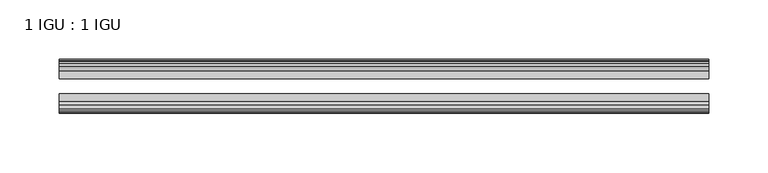
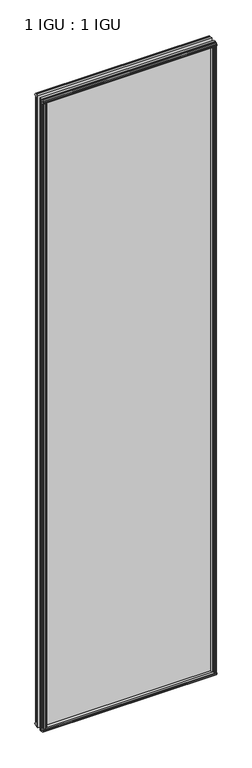
"""IFC4 building model written with IfcOpenShell, lengths in millimetres: plate geometry, 1 IGU : 1 IGU."""

from ifc_helpers import new_model, si_unit, frame, origin, origin_with_axes, place, context, project, spatial, polyline, outline, extrude, source, transform, mapped, element, save


def plate_1_igu_1_igu_80941eb5(model_context):
    return source(origin(), model_context, "Body", "SweptSolid", [
        extrude(outline(polyline([(258.7578803, -19.5460937), (260.8631573, -13.1960937), (266.0703517, -13.1960937), (266.4513517, -10.8158968), (265.0358227, -11.27583), (265.0358227, -10.4746158), (267.2133517, -9.7670937), (269.3908808, -10.4746158), (269.3908808, -11.27583), (267.9753517, -10.8158968), (268.3563517, -13.1960937), (272.8013517, -13.1960937), (272.8013517, -16.1419073), (270.5882743, -19.5460937), (258.7578803, -19.5460937)])), origin_with_axes(), (0.0, 0.0, 1.0), 2070.1),
        extrude(outline(polyline([(-258.7578803, -19.5460937), (-270.5882743, -19.5460937), (-272.8013517, -16.1419073), (-272.8013517, -13.1960937), (-268.3563517, -13.1960937), (-267.9753517, -10.8158968), (-269.3908808, -11.27583), (-269.3908808, -10.4746158), (-267.2133517, -9.7670937), (-265.0358227, -10.4746158), (-265.0358227, -11.27583), (-266.4513517, -10.8158968), (-266.0703517, -13.1960937), (-260.8631573, -13.1960937), (-258.7578803, -19.5460937)])), origin_with_axes(), (0.0, 0.0, 1.0), 2070.1),
        extrude(outline(polyline([(-16.1419073, -12.4576852), (-19.5460937, -10.2446077), (-19.5460937, 1.5857863), (-13.1960937, -0.5194908), (-13.1960937, -5.7266852), (-10.8158968, -6.1076852), (-11.27583, -4.6921562), (-10.4746158, -4.6921562), (-9.7670937, -6.8696852), (-10.4746158, -9.0472143), (-11.27583, -9.0472143), (-10.8158968, -7.6316852), (-13.1960937, -8.0126852), (-13.1960937, -12.4576852), (-16.1419073, -12.4576852)])), frame((-273.0436665, 0.0, 0.0), z_axis=(1.0, 0.0, 0.0), x_axis=(0.0, 1.0, 0.0)), (0.0, 0.0, 1.0), 546.087333),
        extrude(outline(polyline([(-48.3502802, -11.938), (-51.2960937, -11.938), (-51.2960937, -7.493), (-53.6762907, -7.112), (-53.2163575, -8.5275291), (-54.0175717, -8.5275291), (-54.7250937, -6.35), (-54.0175717, -4.172471), (-53.2163575, -4.172471), (-53.6762907, -5.588), (-51.2960937, -5.207), (-51.2960937, 0.0001944), (-44.9460937, 2.1054715), (-44.9460937, -9.7249225), (-48.3502802, -11.938)])), frame((-273.0436665, 0.0, 0.0), z_axis=(1.0, 0.0, 0.0), x_axis=(0.0, 1.0, 0.0)), (0.0, 0.0, 1.0), 546.087333),
        extrude(outline(polyline([(-16.1028367, 2082.5576852), (-13.1960937, 2082.5576852), (-13.1960937, 2078.1126852), (-10.8158968, 2077.7316852), (-11.27583, 2079.1472143), (-10.4746158, 2079.1472143), (-9.7670937, 2076.9696852), (-10.4746158, 2074.7921562), (-11.27583, 2074.7921562), (-10.8158968, 2076.2076852), (-13.1960937, 2075.8266852), (-13.1960937, 2070.5940908), (-19.5460937, 2068.4888137), (-19.5460937, 2080.3192077), (-16.1028367, 2082.5576852)])), frame((-273.0436665, 0.0, 0.0), z_axis=(1.0, 0.0, 0.0), x_axis=(0.0, 1.0, 0.0)), (0.0, 0.0, 1.0), 546.087333),
        extrude(outline(polyline([(-48.3893508, 2082.0126), (-44.9460937, 2079.7741225), (-44.9460937, 2067.9437285), (-51.2960937, 2070.0490056), (-51.2960937, 2075.2816), (-53.6762907, 2075.6626), (-53.2163575, 2074.2470709), (-54.0175717, 2074.2470709), (-54.7250938, 2076.4246), (-54.0175717, 2078.602129), (-53.2163575, 2078.602129), (-53.6762907, 2077.1866), (-51.2960937, 2077.5676), (-51.2960937, 2082.0126), (-48.3893508, 2082.0126)])), frame((-273.0436665, 0.0, 0.0), z_axis=(1.0, 0.0, 0.0), x_axis=(0.0, 1.0, 0.0)), (0.0, 0.0, 1.0), 546.087333),
        extrude(outline(polyline([(-258.238195, -44.9460938), (-260.3434721, -51.2960938), (-265.5506665, -51.2960938), (-265.9316665, -53.6762907), (-264.5161375, -53.2163575), (-264.5161375, -54.0175717), (-266.6936665, -54.7250938), (-268.8711956, -54.0175717), (-268.8711956, -53.2163575), (-267.4556665, -53.6762907), (-267.8366665, -51.2960938), (-272.2816665, -51.2960938), (-272.2816665, -48.3502802), (-270.068589, -44.9460938), (-258.238195, -44.9460938)])), origin_with_axes(), (0.0, 0.0, 1.0), 2070.1),
        extrude(outline(polyline([(258.238195, -44.9460938), (270.068589, -44.9460938), (272.2816665, -48.3502802), (272.2816665, -51.2960938), (267.8366665, -51.2960938), (267.4556665, -53.6762907), (268.8711956, -53.2163575), (268.8711956, -54.0175717), (266.6936665, -54.7250938), (264.5161375, -54.0175717), (264.5161375, -53.2163575), (265.9316665, -53.6762907), (265.5506665, -51.2960938), (260.3434721, -51.2960938), (258.238195, -44.9460938)])), origin_with_axes(), (0.0, 0.0, 1.0), 2070.1),
        extrude(outline(polyline([(273.0436665, -19.5460937), (273.0436665, -25.8337453), (-273.0436665, -25.8337453), (-273.0436665, -19.5460937), (273.0436665, -19.5460937)])), frame((0.0, 0.0, -12.7), z_axis=(0.0, 0.0, 1.0), x_axis=(1.0, 0.0, 0.0)), (0.0, 0.0, 1.0), 2095.4872998),
        extrude(outline(polyline([(-273.0436665, -44.9460937), (-273.0436665, -38.6468938), (273.0436665, -38.6468938), (273.0436665, -44.9460937), (-273.0436665, -44.9460937)])), frame((0.0, 0.0, -12.7), z_axis=(0.0, 0.0, 1.0), x_axis=(1.0, 0.0, 0.0)), (0.0, 0.0, 1.0), 2095.4872998),
    ])


if __name__ == "__main__":
    model = new_model("IFC4")
    model_context = context("Model", 3, world=origin())
    ifc_project = project(units=[si_unit("LENGTHUNIT", "METRE", prefix="MILLI")], contexts=[model_context])
    site = spatial("IfcSite", under=ifc_project)
    building = spatial("IfcBuilding", under=site)
    placement = place(None, origin())
    plate_1_igu_1_igu_shape = plate_1_igu_1_igu_80941eb5(model_context)
    element("IfcPlate", 1, ObjectType="1 IGU : 1 IGU", at=placement, inside=building, context=model_context, shape_type="MappedRepresentation", body=[
        mapped(plate_1_igu_1_igu_shape, transform((0.0, 0.0, 0.0), x_axis=(1.0, 0.0, 0.0), y_axis=(0.0, 1.0, 0.0), z_axis=(0.0, 0.0, 1.0))),
    ])
    save(model, "model.ifc")
